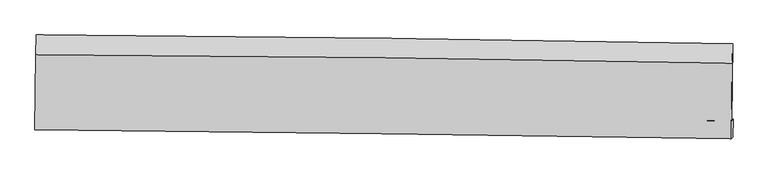
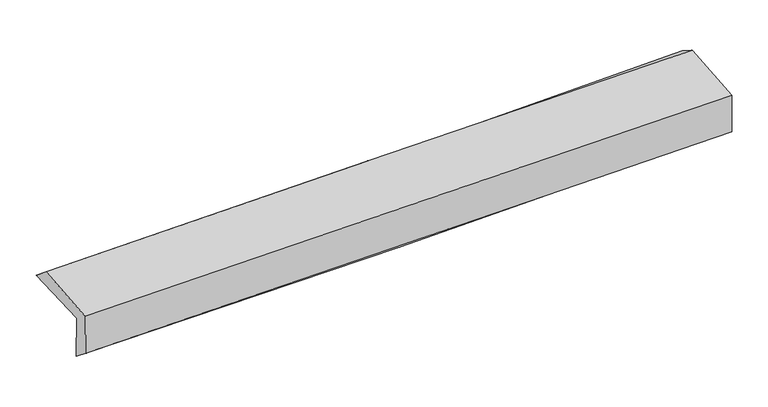
"""IFC4 building model written with IfcOpenShell, lengths in millimetres: proxy geometry."""

from ifc_helpers import new_model, si_unit, frame, origin, place, context, project, spatial, source, transform, mapped, element, save
from ifc_brep_helpers import plane_surface, spline_curve, spline_surface, advanced_brep


def generic_models_6ff9d866(model_context):
    return source(origin(), model_context, "Body", "AdvancedBrep", [
        advanced_brep(
        [(-3017.7317336, -1764.6704478, 1957.2869109), (-3010.475745, -1096.3560275, 1975.7214449), (3003.5320595, -1172.4729939, 2140.9966189), (2996.221956, -1836.1205289, 2130.6635016), (-3007.7553718, -1745.5752606, 1565.5359848), (3006.5829564, -1824.4477108, 1720.073956), (-3012.7368719, -1903.0958233, 1692.5496701), (3002.0167112, -1981.7208088, 1831.3885367), (-3022.224915, -1914.8478867, 2068.0960065), (2992.5837687, -1993.4034747, 2204.7175402), (-3015.9164579, -1267.8388075, 2114.7026554), (2998.859919, -1340.2230428, 2251.7663568)],
        [
            (0, 1),
            (1, 2, spline_curve(3, [(-3010.475745, -1096.3560275, 1975.7214449), (-2007.719243218, -1104.271408605, 1982.194008438), (-1005.317633134, -1114.569671332, 1999.196234935), (999.352043419, -1139.939252316, 2054.275845616), (2001.619701345, -1155.013311786, 2092.36534388), (3003.5320595, -1172.4729939, 2140.9966189)], [4, 2, 4], [0.0, 9.868122729364451, 19.74192024402594])),
            (2, 3),
            (3, 0, spline_curve(3, [(2996.221956, -1836.1205289, 2130.6635016), (1994.117226977, -1819.061618303, 2074.728518657), (991.757923304, -1804.577017504, 2032.312709942), (-1012.893599237, -1780.763282119, 1974.536048272), (-2015.185525461, -1771.431188811, 1959.159660206), (-3017.7317336, -1764.6704478, 1957.2869109)], [4, 2, 4], [0.0, 9.87379751466149, 19.74192024402594])),
            (4, 0),
            (3, 5),
            (5, 4, spline_curve(3, [(3006.5829564, -1824.4477108, 1720.073956), (2005.354411821, -1805.556297537, 1672.978158911), (1003.401002849, -1789.536822776, 1636.551460001), (-1001.379272972, -1763.249306331, 1585.05106331), (-2004.205306639, -1752.977964236, 1569.965104769), (-3007.7553718, -1745.5752606, 1565.5359848)], [4, 2, 4], [0.0, 9.873869196306808, 19.74206356611886])),
            (6, 4),
            (5, 7),
            (7, 6, spline_curve(3, [(3002.0167112, -1981.7208088, 1831.3885367), (1999.065893036, -1966.796910655, 1804.892722639), (996.216970683, -1952.781257268, 1780.072065744), (-1008.700773492, -1926.573972377, 1733.794368711), (-2010.769711669, -1914.381297365, 1712.33540343), (-3012.7368719, -1903.0958233, 1692.5496701)], [4, 2, 4], [0.0, 9.87320162676755, 19.740728810713776])),
            (8, 6),
            (7, 9),
            (9, 8, spline_curve(3, [(2992.5837687, -1993.4034747, 2204.7175402), (1989.571635378, -1978.560085567, 2180.793162534), (986.687469491, -1964.590461593, 2157.442738136), (-1018.248611428, -1938.406269613, 2111.902886626), (-2020.300673615, -1926.190697748, 2089.712799553), (-3022.224915, -1914.8478867, 2068.0960065)], [4, 2, 4], [0.0, 9.873042507140207, 19.7404106629102])),
            (10, 8),
            (9, 11),
            (11, 10, spline_curve(3, [(2998.859919, -1340.2230428, 2251.7663568), (1996.247890902, -1321.807263468, 2228.108714546), (993.566413853, -1306.56653265, 2204.854751182), (-1011.359124821, -1282.442102681, 2159.167314403), (-2013.603106749, -1273.554755025, 2136.733377374), (-3015.9164579, -1267.8388075, 2114.7026554)], [4, 2, 4], [0.0, 9.872977531679856, 19.74028074933296])),
            (1, 10),
            (11, 2),
        ],
        [
            spline_surface(3, 3, [[(-3017.7317336, -1764.6704478, 1957.2869109), (-2015.185525401, -1771.431188954, 1959.159660185), (-1012.893599162, -1780.763282085, 1974.536048337), (991.757923228, -1804.577017537, 2032.312709878), (1994.117226889, -1819.061618151, 2074.72851868), (2996.221956, -1836.1205289, 2130.6635016)], [(-3015.313070746, -1541.89897434, 1963.431755551), (-2012.696764705, -1549.044595528, 1966.837776288), (-1010.368277141, -1558.698745181, 1982.756110539), (994.289296605, -1583.031095728, 2039.633755155), (1996.618051714, -1597.712182639, 2080.607460457), (2998.658657174, -1614.904683898, 2134.107874051)], [(-3012.894407854, -1319.12750096, 1969.576600249), (-2010.20800397, -1326.658002183, 1974.515892436), (-1007.842955107, -1336.634208359, 1990.97617269), (996.820669994, -1361.485174002, 2046.954800382), (1999.118876518, -1376.362747133, 2086.486402182), (3001.095358326, -1393.688838902, 2137.552246449)], [(-3010.475745, -1096.3560275, 1975.7214449), (-2007.719243274, -1104.271408756, 1982.194008539), (-1005.317633086, -1114.569671455, 1999.196234892), (999.352043371, -1139.939252193, 2054.275845659), (2001.619701343, -1155.013311622, 2092.365343959), (3003.5320595, -1172.4729939, 2140.9966189)]], [4, 4], [4, 2, 4], [0.0, 2.1846018147862543], [0.0, 9.868122729364451, 19.74192024402594]),
            spline_surface(3, 3, [[(-3007.7553718, -1745.5752606, 1565.5359848), (-2004.205306663, -1752.977964363, 1569.965104895), (-1001.379272901, -1763.249306313, 1585.051063233), (1003.401002778, -1789.536822794, 1636.551460078), (2005.35441179, -1805.556297602, 1672.978158818), (3006.5829564, -1824.4477108, 1720.073956)], [(-3011.080825729, -1751.940323014, 1696.119626841), (-2007.865379571, -1759.129039241, 1699.696623333), (-1005.217381656, -1769.08729826, 1714.879391586), (999.51997626, -1794.550221065, 1768.471876663), (2001.608683498, -1810.058071122, 1806.894945425), (3003.129289608, -1828.33865017, 1856.937137853)], [(-3014.406279671, -1758.305385386, 1826.703268859), (-2011.525452493, -1765.280114077, 1829.428141748), (-1009.055490407, -1774.925290138, 1844.707719985), (995.638949746, -1799.563619267, 1900.392293293), (1997.862955181, -1814.559844631, 1940.811732073), (2999.675622792, -1832.22958953, 1993.800319747)], [(-3017.7317336, -1764.6704478, 1957.2869109), (-2015.185525401, -1771.431188954, 1959.159660185), (-1012.893599162, -1780.763282085, 1974.536048337), (991.757923228, -1804.577017537, 2032.312709878), (1994.117226889, -1819.061618151, 2074.72851868), (2996.221956, -1836.1205289, 2130.6635016)]], [4, 4], [4, 2, 4], [0.0, 1.2898054349508972], [0.0, 9.86819436981205, 19.74206356611886]),
            spline_surface(3, 3, [[(-3012.7368719, -1903.0958233, 1692.5496701), (-2010.769711779, -1914.381297439, 1712.335403332), (-1008.700773382, -1926.573972428, 1733.794368609), (996.216970573, -1952.781257216, 1780.072065845), (1999.065893183, -1966.796910763, 1804.892722738), (3002.0167112, -1981.7208088, 1831.3885367)], [(-3011.076371852, -1850.588969053, 1650.211775018), (-2008.581576726, -1860.5801864, 1664.878637204), (-1006.260273222, -1872.132417046, 1684.213266821), (998.611647974, -1898.366445732, 1732.231863927), (2001.162066034, -1913.050039702, 1760.921201429), (3003.538792915, -1929.296442793, 1794.283676464)], [(-3009.415871848, -1798.082114847, 1607.873879882), (-2006.393441716, -1806.779075402, 1617.421871023), (-1003.819773061, -1817.690861695, 1634.632165021), (1001.006325377, -1843.951634279, 1684.391661997), (2003.25823894, -1859.303168663, 1716.949680127), (3005.060874685, -1876.872076807, 1757.178816236)], [(-3007.7553718, -1745.5752606, 1565.5359848), (-2004.205306663, -1752.977964363, 1569.965104895), (-1001.379272901, -1763.249306313, 1585.051063233), (1003.401002778, -1789.536822794, 1636.551460078), (2005.35441179, -1805.556297602, 1672.978158818), (3006.5829564, -1824.4477108, 1720.073956)]], [4, 4], [4, 2, 4], [0.0, 0.7193090724921934], [0.0, 9.867527183946226, 19.740728810713776]),
            spline_surface(3, 3, [[(-3022.224915, -1914.8478867, 2068.0960065), (-2020.300673453, -1926.190697751, 2089.712799621), (-1018.248611386, -1938.406269627, 2111.902886537), (986.687469449, -1964.59046158, 2157.442738225), (1989.571635308, -1978.560085653, 2180.793162536), (2992.5837687, -1993.4034747, 2204.7175402)], [(-3019.06223399, -1910.930532258, 1942.913894353), (-2017.123686252, -1922.254231005, 1963.920334178), (-1015.065998724, -1934.462170579, 1985.8667139), (989.863969818, -1960.654060144, 2031.652514104), (1992.736387935, -1974.639027338, 2055.493015935), (2995.728082869, -1989.509252715, 2080.274539031)], [(-3015.89955291, -1907.013177742, 1817.731782247), (-2013.946698981, -1918.317764185, 1838.127868775), (-1011.883386044, -1930.518071476, 1859.830541247), (993.040470204, -1956.717658652, 1905.862289966), (1995.901140556, -1970.717969079, 1930.19286934), (2998.872397031, -1985.615030785, 1955.831537869)], [(-3012.7368719, -1903.0958233, 1692.5496701), (-2010.769711779, -1914.381297439, 1712.335403332), (-1008.700773382, -1926.573972428, 1733.794368609), (996.216970573, -1952.781257216, 1780.072065845), (1999.065893183, -1966.796910763, 1804.892722738), (3002.0167112, -1981.7208088, 1831.3885367)]], [4, 4], [4, 2, 4], [0.0, 1.2403039698596192], [0.0, 9.867368155769993, 19.7404106629102]),
            spline_surface(3, 3, [[(-3015.9164579, -1267.8388075, 2114.7026554), (-2013.60310687, -1273.554755056, 2136.733377472), (-1011.35912487, -1282.442102734, 2159.1673145), (993.566413903, -1306.566532597, 2204.854751085), (1996.247890869, -1321.807263386, 2228.108714526), (2998.859919, -1340.2230428, 2251.7663568)], [(-3018.019276902, -1483.508500549, 2099.167105754), (-2015.835629033, -1491.10006927, 2121.059851509), (-1013.655620361, -1501.096825032, 2143.412505172), (991.273432433, -1525.907842258, 2189.050746791), (1994.022472367, -1540.724870832, 2212.336863855), (2996.767868918, -1557.949853457, 2236.083417925)], [(-3020.122095998, -1699.178193651, 2083.631556146), (-2018.068151291, -1708.645383537, 2105.386325585), (-1015.952115896, -1719.751547329, 2127.657695865), (988.980450919, -1745.249151919, 2173.246742518), (1991.79705381, -1759.642478207, 2196.565013208), (2994.675818782, -1775.676664043, 2220.400479075)], [(-3022.224915, -1914.8478867, 2068.0960065), (-2020.300673453, -1926.190697751, 2089.712799621), (-1018.248611386, -1938.406269627, 2111.902886537), (986.687469449, -1964.59046158, 2157.442738225), (1989.571635308, -1978.560085653, 2180.793162536), (2992.5837687, -1993.4034747, 2204.7175402)]], [4, 4], [4, 2, 4], [0.0, 2.161200232089455], [0.0, 9.867303217653104, 19.74028074933296]),
            spline_surface(3, 3, [[(-3010.475745, -1096.3560275, 1975.7214449), (-2007.719243274, -1104.271408756, 1982.194008539), (-1005.317633086, -1114.569671455, 1999.196234892), (999.352043371, -1139.939252193, 2054.275845659), (2001.619701343, -1155.013311622, 2092.365343959), (3003.5320595, -1172.4729939, 2140.9966189)], [(-3012.289315981, -1153.516954186, 2022.048515083), (-2009.680531154, -1160.699190876, 2033.707131533), (-1007.331463684, -1170.527148545, 2052.519928091), (997.423500211, -1195.481678991, 2104.468814131), (1999.829097834, -1210.611295543, 2137.613134157), (3001.974679316, -1228.389676867, 2177.919864875)], [(-3014.102886919, -1210.677880814, 2068.375585217), (-2011.64181899, -1217.126972937, 2085.220254478), (-1009.345294272, -1226.484625644, 2105.843621301), (995.494957062, -1251.024105799, 2154.661782613), (1998.038494378, -1266.209279464, 2182.860924329), (3000.417299184, -1284.306359833, 2214.843110825)], [(-3015.9164579, -1267.8388075, 2114.7026554), (-2013.60310687, -1273.554755056, 2136.733377472), (-1011.35912487, -1282.442102734, 2159.1673145), (993.566413903, -1306.566532597, 2204.854751085), (1996.247890869, -1321.807263386, 2228.108714526), (2998.859919, -1340.2230428, 2251.7663568)]], [4, 4], [4, 2, 4], [0.0, 0.748986704631837], [0.0, 9.867343422767838, 19.740361182682875]),
            plane_surface(frame((2999.9662285, -1691.3980933, 2046.601085), z_axis=(0.9996249373118496, -0.011398619863801581, 0.02490092708076254), x_axis=(0.025246690893493975, 0.031267937443450425, -0.9991921340197595))),
            plane_surface(frame((-3014.4735159, -1615.3973756, 1895.6487788), z_axis=(-0.9996234905458384, 0.011539727246618687, -0.02489401221233387), x_axis=(-0.01085238085180868, -0.9995609223544543, -0.0275715130480705))),
        ],
        [
            (0, [[1, 2, 3, 4]]),
            (1, [[5, -4, 6, 7]]),
            (2, [[8, -7, 9, 10]]),
            (3, [[11, -10, 12, 13]]),
            (4, [[14, -13, 15, 16]]),
            (5, [[17, -16, 18, -2]]),
            (6, [[-12, -9, -6, -3, -18, -15]]),
            (7, [[-1, -5, -8, -11, -14, -17]]),
        ],
    ),
    ])


if __name__ == "__main__":
    model = new_model("IFC4")
    model_context = context("Model", 3, world=origin())
    ifc_project = project(units=[si_unit("LENGTHUNIT", "METRE", prefix="MILLI")], contexts=[model_context])
    site = spatial("IfcSite", under=ifc_project)
    building = spatial("IfcBuilding", under=site)
    placement = place(None, origin())
    generic_models_shape = generic_models_6ff9d866(model_context)
    element("IfcBuildingElementProxy", 1, Name="Generic Models", at=placement, inside=building, context=model_context, shape_type="MappedRepresentation", body=[
        mapped(generic_models_shape, transform((0.0, 0.0, 0.0), x_axis=(1.0, 0.0, 0.0), y_axis=(0.0, 1.0, 0.0), z_axis=(0.0, 0.0, 1.0))),
    ])
    save(model, "model.ifc")
